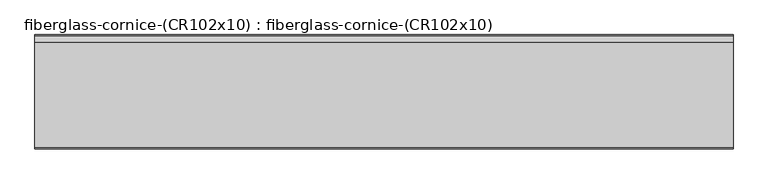
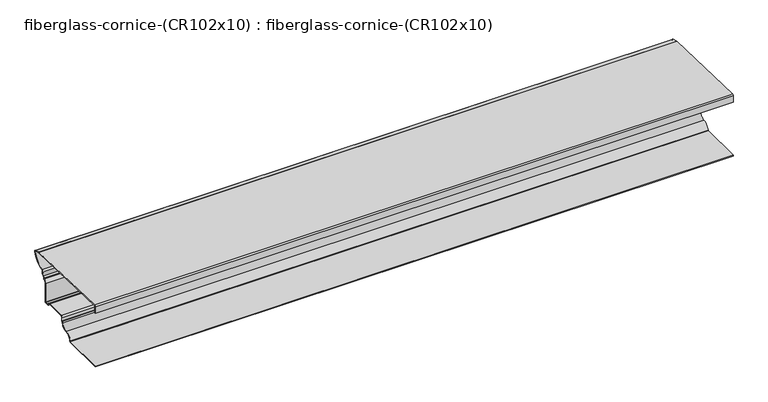
"""IFC4 building model written with IfcOpenShell, lengths in millimetres: furniture geometry, fiberglass-cornice-(CR102x10) : fiberglass-cornice-(CR102x10)."""

from ifc_helpers import new_model, si_unit, frame, origin, place, context, project, spatial, polyline, circle_curve, source, transform, mapped, element, save
from ifc_brep_helpers import plane_surface, cylinder_surface, revolved_surface, advanced_brep


def fiberglass_cornice_cr102x10_fiberglass_cornice_cr102x10_c971396c(model_context):
    return source(origin(), model_context, "Body", "AdvancedBrep", [
        advanced_brep(
        [(2012.9498044, 107.9495329, 330.1999904), (2012.9498044, 101.6002384, 323.8166176), (2012.9498044, 101.6002384, 279.4641155), (2012.9498044, 105.0925938, 279.4641155), (2012.9498044, 105.0925938, 323.8703182), (2012.9498044, 107.9694373, 326.7211389), (2012.9498044, 718.1684462, 309.9910516), (2012.9498044, 755.4396445, 299.3036814), (2012.9498044, 757.4680388, 296.0160672), (2012.9498044, 682.2227911, 220.9704583), (2012.9498044, 675.6432969, 206.1810322), (2012.9498044, 668.2732578, 187.1836465), (2012.9498044, 661.1866578, 177.7348465), (2012.9498044, 661.1866442, 172.2831722), (2012.9498044, 659.1292578, 169.5487893), (2012.9498044, 644.8580863, 150.5205608), (2012.9498044, 644.8580709, 26.2326075), (2012.9498044, 642.0005863, 23.3844893), (2012.9498044, 621.1362568, 23.3844864), (2012.9498044, 618.3931006, 25.4418893), (2012.9498044, 599.3582193, 39.7130597), (2012.9498044, 475.0816126, 39.7130597), (2012.9498044, 465.2438006, 29.8705608), (2012.9498044, 465.2437655, 9.2170513), (2012.9498044, 463.3102308, 6.5272232), (2012.9498044, 456.7397442, -1.4616302), (2012.9498044, 419.7505863, -33.7655107), (2012.9498044, 375.8400065, -72.1141027), (2012.9498044, 373.0085156, -74.5869392), (2012.9498044, 101.6, -74.586939), (2012.9498044, 101.6, -78.0794391), (2012.9498044, 373.0085156, -78.0794391), (2012.9498044, 379.3007175, -72.5842469), (2012.9498044, 419.7505863, -37.2580107), (2012.9498044, 460.2004552, -1.9317744), (2012.9498044, 464.4394788, 3.2223246), (2012.9498044, 468.7363006, 9.2312312), (2012.9498044, 468.7363592, 29.8432847), (2012.9498044, 475.0863006, 36.2205608), (2012.9498044, 599.3648258, 36.2205628), (2012.9498044, 615.0403006, 24.4639893), (2012.9498044, 621.1363006, 19.8919893), (2012.9498044, 642.0005863, 19.8919895), (2012.9498044, 648.3505455, 26.2647651), (2012.9498044, 648.3505455, 150.5205679), (2012.9498044, 660.1071578, 166.1959893), (2012.9498044, 664.6791187, 172.2697206), (2012.9498044, 664.6791187, 177.7348417), (2012.9498044, 669.2511578, 183.8308465), (2012.9498044, 678.6264726, 207.9971322), (2012.9498044, 682.8713075, 217.5386974), (2012.9498044, 760.8980647, 295.3584359), (2012.9498044, 756.4174474, 302.6565623), (2012.9498044, 719.2856756, 313.3039373), (2012.9498044, 717.7086783, 313.547566), (-2012.9498044, 107.9495329, 330.1999904), (-2012.9498044, 717.7086559, 313.5475713), (-2012.9498044, 719.2856225, 313.3039444), (-2012.9498044, 756.4174474, 302.6565623), (-2012.9498044, 760.8980647, 295.3584359), (-2012.9498044, 682.8713075, 217.5386974), (-2012.9498044, 678.6264726, 207.9971322), (-2012.9498044, 669.2511578, 183.8308465), (-2012.9498044, 664.6791578, 177.7348465), (-2012.9498044, 664.6791187, 172.2697206), (-2012.9498044, 660.1071578, 166.1959893), (-2012.9498044, 648.3505863, 150.5205608), (-2012.9498044, 648.3505455, 26.2647651), (-2012.9498044, 642.0005863, 19.8919893), (-2012.9498044, 621.1363006, 19.8919895), (-2012.9498044, 615.0403006, 24.4639893), (-2012.9498044, 599.3648721, 36.2205608), (-2012.9498044, 475.0862804, 36.2205628), (-2012.9498044, 468.7363592, 29.8432847), (-2012.9498044, 468.7363592, 9.2312294), (-2012.9498044, 464.4394788, 3.2223246), (-2012.9498044, 460.2004552, -1.9317744), (-2012.9498044, 419.7505863, -37.2580107), (-2012.9498044, 379.3007175, -72.5842469), (-2012.9498044, 373.0085156, -78.0794392), (-2012.9498044, 101.6, -78.0794391), (-2012.9498044, 101.6, -74.586939), (-2012.9498044, 373.0085156, -74.586939), (-2012.9498044, 375.8400065, -72.1141027), (-2012.9498044, 419.7505863, -33.7655107), (-2012.9498044, 456.7397442, -1.4616302), (-2012.9498044, 463.3102308, 6.5272232), (-2012.9498044, 465.2437655, 9.2170513), (-2012.9498044, 465.2437655, 29.8705596), (-2012.9498044, 475.0816126, 39.7130597), (-2012.9498044, 599.3582193, 39.7130597), (-2012.9498044, 618.3931006, 25.4418893), (-2012.9498044, 621.1363006, 23.3844893), (-2012.9498044, 642.0006243, 23.3844864), (-2012.9498044, 644.8580709, 26.2326075), (-2012.9498044, 644.8580709, 150.5205679), (-2012.9498044, 659.1292578, 169.5487893), (-2012.9498044, 661.1866442, 172.2831722), (-2012.9498044, 661.1866442, 177.7348417), (-2012.9498044, 668.2732578, 187.1836465), (-2012.9498044, 675.6432969, 206.1810322), (-2012.9498044, 682.2227911, 220.9704583), (-2012.9498044, 757.4680388, 296.0160672), (-2012.9498044, 755.4396445, 299.3036814), (-2012.9498044, 718.1684462, 309.9910516), (-2012.9498044, 107.9694373, 326.7211389), (-2012.9498044, 105.0925938, 323.8703182), (-2012.9498044, 105.0925938, 279.4641155), (-2012.9498044, 101.6002384, 279.4641155), (-2012.9498044, 101.6002384, 323.8166176)],
        [
            (0, 1, circle_curve(frame((2012.9498044, 107.9501507, 323.8499905), z_axis=(1.0, 0.0, 0.0), x_axis=(0.0, 1.0, 0.0)), 6.35)),
            (1, 2),
            (2, 3),
            (3, 4),
            (4, 5, circle_curve(frame((2012.9498044, 107.9500861, 323.8637045), z_axis=(-1.0, 0.0, 0.0), x_axis=(0.0, 1.0, 0.0)), 2.8575)),
            (5, 6),
            (6, 7),
            (7, 8, circle_curve(frame((2012.9498044, 754.6616541, 296.5541292), z_axis=(-1.0, 0.0, 0.0), x_axis=(0.0, 1.0, 0.0)), 2.8575)),
            (8, 9, circle_curve(frame((2012.9498044, 664.6791578, 313.8062751), z_axis=(-1.0, 0.0, 0.0), x_axis=(0.0, 1.0, 0.0)), 94.4789286)),
            (9, 10, circle_curve(frame((2012.9498044, 684.0504283, 211.2991322), z_axis=(1.0, 0.0, 0.0), x_axis=(0.0, 1.0, 0.0)), 9.8425)),
            (10, 11, circle_curve(frame((2012.9498044, 664.6791578, 199.5062751), z_axis=(-1.0, 0.0, 0.0), x_axis=(0.0, 1.0, 0.0)), 12.8360714)),
            (11, 12, circle_curve(frame((2012.9498044, 671.0291578, 177.7348465), z_axis=(1.0, 0.0, 0.0), x_axis=(0.0, 1.0, 0.0)), 9.8425)),
            (12, 13),
            (13, 14, circle_curve(frame((2012.9498044, 658.3291578, 172.2919893), z_axis=(-1.0, 0.0, 0.0), x_axis=(0.0, 1.0, 0.0)), 2.8575)),
            (14, 15, circle_curve(frame((2012.9498044, 664.6791578, 150.5205608), z_axis=(1.0, 0.0, 0.0), x_axis=(0.0, 1.0, 0.0)), 19.8210714)),
            (15, 16),
            (16, 17, circle_curve(frame((2012.9498044, 642.0005863, 26.2419893), z_axis=(-1.0, 0.0, 0.0), x_axis=(0.0, 1.0, 0.0)), 2.8575)),
            (17, 18),
            (18, 19, circle_curve(frame((2012.9498044, 621.1363006, 26.2419893), z_axis=(-1.0, 0.0, 0.0), x_axis=(0.0, 1.0, 0.0)), 2.8575)),
            (19, 20, circle_curve(frame((2012.9498044, 599.3648721, 19.8919893), z_axis=(1.0, 0.0, 0.0), x_axis=(0.0, 1.0, 0.0)), 19.8210714)),
            (20, 21),
            (21, 22, circle_curve(frame((2012.9498044, 475.0863006, 29.8705608), z_axis=(1.0, 0.0, 0.0), x_axis=(0.0, 1.0, 0.0)), 9.8425)),
            (22, 23),
            (23, 24, circle_curve(frame((2012.9498044, 462.3863006, 9.2312312), z_axis=(-1.0, 0.0, 0.0), x_axis=(0.0, 1.0, 0.0)), 2.8575)),
            (24, 25, circle_curve(frame((2012.9498044, 466.4926571, -2.7865821), z_axis=(1.0, 0.0, 0.0), x_axis=(0.0, 1.0, 0.0)), 9.8425)),
            (25, 26, circle_curve(frame((2012.9498044, 419.7505863, 3.5634179), z_axis=(-1.0, 0.0, 0.0), x_axis=(0.0, 1.0, 0.0)), 37.3289286)),
            (26, 27, circle_curve(frame((2012.9498044, 419.7505863, -78.0794392), z_axis=(1.0, 0.0, 0.0), x_axis=(0.0, 1.0, 0.0)), 44.3139286)),
            (27, 28, circle_curve(frame((2012.9498044, 373.0085156, -71.7294392), z_axis=(-1.0, 0.0, 0.0), x_axis=(0.0, 1.0, 0.0)), 2.8575)),
            (28, 29),
            (29, 30),
            (30, 31),
            (31, 32, circle_curve(frame((2012.9498044, 373.0085156, -71.7294392), z_axis=(1.0, 0.0, 0.0), x_axis=(0.0, 1.0, 0.0)), 6.35)),
            (32, 33, circle_curve(frame((2012.9498044, 419.7505863, -78.0794392), z_axis=(-1.0, 0.0, 0.0), x_axis=(0.0, 1.0, 0.0)), 40.8214286)),
            (33, 34, circle_curve(frame((2012.9498044, 419.7505863, 3.5634179), z_axis=(1.0, 0.0, 0.0), x_axis=(0.0, 1.0, 0.0)), 40.8214286)),
            (34, 35, circle_curve(frame((2012.9498044, 466.4926571, -2.7865821), z_axis=(-1.0, 0.0, 0.0), x_axis=(0.0, 1.0, 0.0)), 6.35)),
            (35, 36, circle_curve(frame((2012.9498044, 462.3863006, 9.2312312), z_axis=(1.0, 0.0, 0.0), x_axis=(0.0, 1.0, 0.0)), 6.35)),
            (36, 37),
            (37, 38, circle_curve(frame((2012.9498044, 475.0863006, 29.8705608), z_axis=(-1.0, 0.0, 0.0), x_axis=(0.0, 1.0, 0.0)), 6.35)),
            (38, 39),
            (39, 40, circle_curve(frame((2012.9498044, 599.3648721, 19.8919893), z_axis=(-1.0, 0.0, 0.0), x_axis=(0.0, 1.0, 0.0)), 16.3285714)),
            (40, 41, circle_curve(frame((2012.9498044, 621.1363006, 26.2419893), z_axis=(1.0, 0.0, 0.0), x_axis=(0.0, 1.0, 0.0)), 6.35)),
            (41, 42),
            (42, 43, circle_curve(frame((2012.9498044, 642.0005863, 26.2419893), z_axis=(1.0, 0.0, 0.0), x_axis=(0.0, 1.0, 0.0)), 6.35)),
            (43, 44),
            (44, 45, circle_curve(frame((2012.9498044, 664.6791578, 150.5205608), z_axis=(-1.0, 0.0, 0.0), x_axis=(0.0, 1.0, 0.0)), 16.3285714)),
            (45, 46, circle_curve(frame((2012.9498044, 658.3291578, 172.2919893), z_axis=(1.0, 0.0, 0.0), x_axis=(0.0, 1.0, 0.0)), 6.35)),
            (46, 47),
            (47, 48, circle_curve(frame((2012.9498044, 671.0291578, 177.7348465), z_axis=(-1.0, 0.0, 0.0), x_axis=(0.0, 1.0, 0.0)), 6.35)),
            (48, 49, circle_curve(frame((2012.9498044, 664.6791578, 199.5062751), z_axis=(1.0, 0.0, 0.0), x_axis=(0.0, 1.0, 0.0)), 16.3285714)),
            (49, 50, circle_curve(frame((2012.9498044, 684.0504283, 211.2991322), z_axis=(-1.0, 0.0, 0.0), x_axis=(0.0, 1.0, 0.0)), 6.35)),
            (50, 51, circle_curve(frame((2012.9498044, 664.6791578, 313.8062751), z_axis=(1.0, 0.0, 0.0), x_axis=(0.0, 1.0, 0.0)), 97.9714286)),
            (51, 52, circle_curve(frame((2012.9498044, 754.6616541, 296.5541292), z_axis=(1.0, 0.0, 0.0), x_axis=(0.0, 1.0, 0.0)), 6.35)),
            (52, 53),
            (53, 54, circle_curve(frame((2012.9498044, 717.5353253, 307.1999327), z_axis=(1.0, 0.0, 0.0), x_axis=(0.0, 1.0, 0.0)), 6.35)),
            (54, 0),
            (55, 56),
            (56, 57, circle_curve(frame((-2012.9498044, 717.5353253, 307.1999327), z_axis=(-1.0, 0.0, 0.0), x_axis=(0.0, 1.0, 0.0)), 6.35)),
            (57, 58),
            (58, 59, circle_curve(frame((-2012.9498044, 754.6616541, 296.5541292), z_axis=(-1.0, 0.0, 0.0), x_axis=(0.0, 1.0, 0.0)), 6.35)),
            (59, 60, circle_curve(frame((-2012.9498044, 664.6791578, 313.8062751), z_axis=(-1.0, 0.0, 0.0), x_axis=(0.0, 1.0, 0.0)), 97.9714286)),
            (60, 61, circle_curve(frame((-2012.9498044, 684.0504283, 211.2991322), z_axis=(1.0, 0.0, 0.0), x_axis=(0.0, 1.0, 0.0)), 6.35)),
            (61, 62, circle_curve(frame((-2012.9498044, 664.6791578, 199.5062751), z_axis=(-1.0, 0.0, 0.0), x_axis=(0.0, 1.0, 0.0)), 16.3285714)),
            (62, 63, circle_curve(frame((-2012.9498044, 671.0291578, 177.7348465), z_axis=(1.0, 0.0, 0.0), x_axis=(0.0, 1.0, 0.0)), 6.35)),
            (63, 64),
            (64, 65, circle_curve(frame((-2012.9498044, 658.3291578, 172.2919893), z_axis=(-1.0, 0.0, 0.0), x_axis=(0.0, 1.0, 0.0)), 6.35)),
            (65, 66, circle_curve(frame((-2012.9498044, 664.6791578, 150.5205608), z_axis=(1.0, 0.0, 0.0), x_axis=(0.0, 1.0, 0.0)), 16.3285714)),
            (66, 67),
            (67, 68, circle_curve(frame((-2012.9498044, 642.0005863, 26.2419893), z_axis=(-1.0, 0.0, 0.0), x_axis=(0.0, 1.0, 0.0)), 6.35)),
            (68, 69),
            (69, 70, circle_curve(frame((-2012.9498044, 621.1363006, 26.2419893), z_axis=(-1.0, 0.0, 0.0), x_axis=(0.0, 1.0, 0.0)), 6.35)),
            (70, 71, circle_curve(frame((-2012.9498044, 599.3648721, 19.8919893), z_axis=(1.0, 0.0, 0.0), x_axis=(0.0, 1.0, 0.0)), 16.3285714)),
            (71, 72),
            (72, 73, circle_curve(frame((-2012.9498044, 475.0863006, 29.8705608), z_axis=(1.0, 0.0, 0.0), x_axis=(0.0, 1.0, 0.0)), 6.35)),
            (73, 74),
            (74, 75, circle_curve(frame((-2012.9498044, 462.3863006, 9.2312312), z_axis=(-1.0, 0.0, 0.0), x_axis=(0.0, 1.0, 0.0)), 6.35)),
            (75, 76, circle_curve(frame((-2012.9498044, 466.4926571, -2.7865821), z_axis=(1.0, 0.0, 0.0), x_axis=(0.0, 1.0, 0.0)), 6.35)),
            (76, 77, circle_curve(frame((-2012.9498044, 419.7505863, 3.5634179), z_axis=(-1.0, 0.0, 0.0), x_axis=(0.0, 1.0, 0.0)), 40.8214286)),
            (77, 78, circle_curve(frame((-2012.9498044, 419.7505863, -78.0794392), z_axis=(1.0, 0.0, 0.0), x_axis=(0.0, 1.0, 0.0)), 40.8214286)),
            (78, 79, circle_curve(frame((-2012.9498044, 373.0085156, -71.7294392), z_axis=(-1.0, 0.0, 0.0), x_axis=(0.0, 1.0, 0.0)), 6.35)),
            (79, 80),
            (80, 81),
            (81, 82),
            (82, 83, circle_curve(frame((-2012.9498044, 373.0085156, -71.7294392), z_axis=(1.0, 0.0, 0.0), x_axis=(0.0, 1.0, 0.0)), 2.8575)),
            (83, 84, circle_curve(frame((-2012.9498044, 419.7505863, -78.0794392), z_axis=(-1.0, 0.0, 0.0), x_axis=(0.0, 1.0, 0.0)), 44.3139286)),
            (84, 85, circle_curve(frame((-2012.9498044, 419.7505863, 3.5634179), z_axis=(1.0, 0.0, 0.0), x_axis=(0.0, 1.0, 0.0)), 37.3289286)),
            (85, 86, circle_curve(frame((-2012.9498044, 466.4926571, -2.7865821), z_axis=(-1.0, 0.0, 0.0), x_axis=(0.0, 1.0, 0.0)), 9.8425)),
            (86, 87, circle_curve(frame((-2012.9498044, 462.3863006, 9.2312312), z_axis=(1.0, 0.0, 0.0), x_axis=(0.0, 1.0, 0.0)), 2.8575)),
            (87, 88),
            (88, 89, circle_curve(frame((-2012.9498044, 475.0863006, 29.8705608), z_axis=(-1.0, 0.0, 0.0), x_axis=(0.0, 1.0, 0.0)), 9.8425)),
            (89, 90),
            (90, 91, circle_curve(frame((-2012.9498044, 599.3648721, 19.8919893), z_axis=(-1.0, 0.0, 0.0), x_axis=(0.0, 1.0, 0.0)), 19.8210714)),
            (91, 92, circle_curve(frame((-2012.9498044, 621.1363006, 26.2419893), z_axis=(1.0, 0.0, 0.0), x_axis=(0.0, 1.0, 0.0)), 2.8575)),
            (92, 93),
            (93, 94, circle_curve(frame((-2012.9498044, 642.0005863, 26.2419893), z_axis=(1.0, 0.0, 0.0), x_axis=(0.0, 1.0, 0.0)), 2.8575)),
            (94, 95),
            (95, 96, circle_curve(frame((-2012.9498044, 664.6791578, 150.5205608), z_axis=(-1.0, 0.0, 0.0), x_axis=(0.0, 1.0, 0.0)), 19.8210714)),
            (96, 97, circle_curve(frame((-2012.9498044, 658.3291578, 172.2919893), z_axis=(1.0, 0.0, 0.0), x_axis=(0.0, 1.0, 0.0)), 2.8575)),
            (97, 98),
            (98, 99, circle_curve(frame((-2012.9498044, 671.0291578, 177.7348465), z_axis=(-1.0, 0.0, 0.0), x_axis=(0.0, 1.0, 0.0)), 9.8425)),
            (99, 100, circle_curve(frame((-2012.9498044, 664.6791578, 199.5062751), z_axis=(1.0, 0.0, 0.0), x_axis=(0.0, 1.0, 0.0)), 12.8360714)),
            (100, 101, circle_curve(frame((-2012.9498044, 684.0504283, 211.2991322), z_axis=(-1.0, 0.0, 0.0), x_axis=(0.0, 1.0, 0.0)), 9.8425)),
            (101, 102, circle_curve(frame((-2012.9498044, 664.6791578, 313.8062751), z_axis=(1.0, 0.0, 0.0), x_axis=(0.0, 1.0, 0.0)), 94.4789286)),
            (102, 103, circle_curve(frame((-2012.9498044, 754.6616541, 296.5541292), z_axis=(1.0, 0.0, 0.0), x_axis=(0.0, 1.0, 0.0)), 2.8575)),
            (103, 104),
            (104, 105),
            (105, 106, circle_curve(frame((-2012.9498044, 107.9500861, 323.8637045), z_axis=(1.0, 0.0, 0.0), x_axis=(0.0, 1.0, 0.0)), 2.8575)),
            (106, 107),
            (107, 108),
            (108, 109),
            (109, 55, circle_curve(frame((-2012.9498044, 107.9501507, 323.8499905), z_axis=(-1.0, 0.0, 0.0), x_axis=(0.0, 1.0, 0.0)), 6.35)),
            (0, 55),
            (109, 1),
            (108, 2),
            (107, 3),
            (106, 4),
            (105, 5),
            (104, 6),
            (103, 7),
            (102, 8),
            (101, 9),
            (100, 10),
            (99, 11),
            (98, 12),
            (97, 13),
            (96, 14),
            (95, 15),
            (94, 16),
            (93, 17),
            (92, 18),
            (91, 19),
            (90, 20),
            (89, 21),
            (88, 22),
            (87, 23),
            (86, 24),
            (85, 25),
            (84, 26),
            (83, 27),
            (82, 28),
            (81, 29),
            (80, 30),
            (79, 31),
            (78, 32),
            (77, 33),
            (76, 34),
            (75, 35),
            (74, 36),
            (73, 37),
            (72, 38),
            (71, 39),
            (70, 40),
            (69, 41),
            (68, 42),
            (67, 43),
            (66, 44),
            (65, 45),
            (64, 46),
            (63, 47),
            (62, 48),
            (61, 49),
            (60, 50),
            (59, 51),
            (58, 52),
            (57, 53),
            (56, 54),
        ],
        [
            plane_surface(frame((2012.9498044, 101.6, 330.1999904), z_axis=(1.0, 0.0, 0.0), x_axis=(0.0, 0.0, 1.0))),
            plane_surface(frame((-2012.9498044, 101.6, 330.1999904), z_axis=(-1.0, 0.0, 0.0), x_axis=(0.0, 0.0, 1.0))),
            cylinder_surface(frame((2012.9498044, 107.9501507, 323.8499905), z_axis=(1.0, 0.0, 0.0), x_axis=(0.0, 1.0, 0.0)), 6.35),
            plane_surface(frame((2012.9498044, 101.6002384, 323.8166176), z_axis=(0.0, -1.0, 0.0), x_axis=(-1.0, 0.0, 0.0))),
            plane_surface(frame((2012.9498044, 101.6002384, 279.4641155), z_axis=(0.0, 0.0, -1.0), x_axis=(-1.0, 0.0, 0.0))),
            plane_surface(frame((2012.9498044, 105.0925938, 279.4641155), z_axis=(0.0, 1.0, 0.0), x_axis=(-1.0, 0.0, 0.0))),
            revolved_surface(polyline([(-2012.9498044, 110.8075861, 323.8637045), (2012.9498044, 110.8075861, 323.8637045)]), (2012.9498044, 107.9500861, 323.8637045), (-1.0, 0.0, 0.0)),
            plane_surface(frame((2012.9498044, 107.9694373, 326.7211389), z_axis=(0.0, -0.027407128762182806, -0.9996243540915823), x_axis=(-1.0, 0.0, 0.0))),
            plane_surface(frame((2012.9498044, 718.1684462, 309.9910516), z_axis=(0.0, -0.27563797648732297, -0.9612615179637506), x_axis=(-1.0, 0.0, 0.0))),
            revolved_surface(polyline([(-2012.9498044, 757.5191540999999, 296.5541292), (2012.9498044, 757.5191540999999, 296.5541292)]), (2012.9498044, 754.6616541, 296.5541292), (-1.0, 0.0, 0.0)),
            revolved_surface(polyline([(-2012.9498044, 759.1580864, 313.8062751), (2012.9498044, 759.1580864, 313.8062751)]), (2012.9498044, 664.6791578, 313.8062751), (-1.0, 0.0, 0.0)),
            cylinder_surface(frame((2012.9498044, 684.0504283, 211.2991322), z_axis=(1.0, 0.0, 0.0), x_axis=(0.0, 1.0, 0.0)), 9.8425),
            revolved_surface(polyline([(-2012.9498044, 677.5152292, 199.5062751), (2012.9498044, 677.5152292, 199.5062751)]), (2012.9498044, 664.6791578, 199.5062751), (-1.0, 0.0, 0.0)),
            cylinder_surface(frame((2012.9498044, 671.0291578, 177.7348465), z_axis=(1.0, 0.0, 0.0), x_axis=(0.0, 1.0, 0.0)), 9.8425),
            plane_surface(frame((2012.9498044, 661.1866442, 177.7348417), z_axis=(0.0, -1.0, 0.0), x_axis=(-1.0, 0.0, 0.0))),
            revolved_surface(polyline([(-2012.9498044, 661.1866577999999, 172.2919893), (2012.9498044, 661.1866577999999, 172.2919893)]), (2012.9498044, 658.3291578, 172.2919893), (-1.0, 0.0, 0.0)),
            cylinder_surface(frame((2012.9498044, 664.6791578, 150.5205608), z_axis=(1.0, 0.0, 0.0), x_axis=(0.0, 1.0, 0.0)), 19.8210714),
            plane_surface(frame((2012.9498044, 644.8580709, 150.5205679), z_axis=(0.0, -1.0, 0.0), x_axis=(-1.0, 0.0, 0.0))),
            revolved_surface(polyline([(-2012.9498044, 644.8580863, 26.2419893), (2012.9498044, 644.8580863, 26.2419893)]), (2012.9498044, 642.0005863, 26.2419893), (-1.0, 0.0, 0.0)),
            plane_surface(frame((2012.9498044, 642.0006243, 23.3844864), z_axis=(0.0, 0.0, 1.0), x_axis=(-1.0, 0.0, 0.0))),
            revolved_surface(polyline([(-2012.9498044, 623.9938006, 26.2419893), (2012.9498044, 623.9938006, 26.2419893)]), (2012.9498044, 621.1363006, 26.2419893), (-1.0, 0.0, 0.0)),
            cylinder_surface(frame((2012.9498044, 599.3648721, 19.8919893), z_axis=(1.0, 0.0, 0.0), x_axis=(0.0, 1.0, 0.0)), 19.8210714),
            plane_surface(frame((2012.9498044, 599.3582193, 39.7130597), z_axis=(0.0, 0.0, 1.0), x_axis=(-1.0, 0.0, 0.0))),
            cylinder_surface(frame((2012.9498044, 475.0863006, 29.8705608), z_axis=(1.0, 0.0, 0.0), x_axis=(0.0, 1.0, 0.0)), 9.8425),
            plane_surface(frame((2012.9498044, 465.2437655, 29.8705596), z_axis=(0.0, -1.0, 0.0), x_axis=(-1.0, 0.0, 0.0))),
            revolved_surface(polyline([(-2012.9498044, 465.24380060000004, 9.2312312), (2012.9498044, 465.24380060000004, 9.2312312)]), (2012.9498044, 462.3863006, 9.2312312), (-1.0, 0.0, 0.0)),
            cylinder_surface(frame((2012.9498044, 466.4926571, -2.7865821), z_axis=(1.0, 0.0, 0.0), x_axis=(0.0, 1.0, 0.0)), 9.8425),
            revolved_surface(polyline([(-2012.9498044, 457.0795149, 3.5634179), (2012.9498044, 457.0795149, 3.5634179)]), (2012.9498044, 419.7505863, 3.5634179), (-1.0, 0.0, 0.0)),
            cylinder_surface(frame((2012.9498044, 419.7505863, -78.0794392), z_axis=(1.0, 0.0, 0.0), x_axis=(0.0, 1.0, 0.0)), 44.3139286),
            revolved_surface(polyline([(-2012.9498044, 375.8660156, -71.7294392), (2012.9498044, 375.8660156, -71.7294392)]), (2012.9498044, 373.0085156, -71.7294392), (-1.0, 0.0, 0.0)),
            plane_surface(frame((2012.9498044, 373.0085156, -74.586939), z_axis=(0.0, 0.0, 1.0), x_axis=(-1.0, 0.0, 0.0))),
            plane_surface(frame((2012.9498044, 101.6, -74.586939), z_axis=(0.0, -1.0, 0.0), x_axis=(-1.0, 0.0, 0.0))),
            plane_surface(frame((2012.9498044, 101.6, -78.0794391), z_axis=(0.0, 0.0, -1.0), x_axis=(-1.0, 0.0, 0.0))),
            cylinder_surface(frame((2012.9498044, 373.0085156, -71.7294392), z_axis=(1.0, 0.0, 0.0), x_axis=(0.0, 1.0, 0.0)), 6.35),
            revolved_surface(polyline([(-2012.9498044, 460.5720149, -78.0794392), (2012.9498044, 460.5720149, -78.0794392)]), (2012.9498044, 419.7505863, -78.0794392), (-1.0, 0.0, 0.0)),
            cylinder_surface(frame((2012.9498044, 419.7505863, 3.5634179), z_axis=(1.0, 0.0, 0.0), x_axis=(0.0, 1.0, 0.0)), 40.8214286),
            revolved_surface(polyline([(-2012.9498044, 472.8426571, -2.7865821), (2012.9498044, 472.8426571, -2.7865821)]), (2012.9498044, 466.4926571, -2.7865821), (-1.0, 0.0, 0.0)),
            cylinder_surface(frame((2012.9498044, 462.3863006, 9.2312312), z_axis=(1.0, 0.0, 0.0), x_axis=(0.0, 1.0, 0.0)), 6.35),
            plane_surface(frame((2012.9498044, 468.7363592, 9.2312294), z_axis=(0.0, 1.0, 0.0), x_axis=(-1.0, 0.0, 0.0))),
            revolved_surface(polyline([(-2012.9498044, 481.43630060000004, 29.8705608), (2012.9498044, 481.43630060000004, 29.8705608)]), (2012.9498044, 475.0863006, 29.8705608), (-1.0, 0.0, 0.0)),
            plane_surface(frame((2012.9498044, 475.0862804, 36.2205628), z_axis=(0.0, 0.0, -1.0), x_axis=(-1.0, 0.0, 0.0))),
            revolved_surface(polyline([(-2012.9498044, 615.6934435, 19.8919893), (2012.9498044, 615.6934435, 19.8919893)]), (2012.9498044, 599.3648721, 19.8919893), (-1.0, 0.0, 0.0)),
            cylinder_surface(frame((2012.9498044, 621.1363006, 26.2419893), z_axis=(1.0, 0.0, 0.0), x_axis=(0.0, 1.0, 0.0)), 6.35),
            plane_surface(frame((2012.9498044, 621.1363006, 19.8919895), z_axis=(0.0, 0.0, -1.0), x_axis=(-1.0, 0.0, 0.0))),
            cylinder_surface(frame((2012.9498044, 642.0005863, 26.2419893), z_axis=(1.0, 0.0, 0.0), x_axis=(0.0, 1.0, 0.0)), 6.35),
            plane_surface(frame((2012.9498044, 648.3505455, 26.2647651), z_axis=(0.0, 1.0, 0.0), x_axis=(-1.0, 0.0, 0.0))),
            revolved_surface(polyline([(-2012.9498044, 681.0077292, 150.5205608), (2012.9498044, 681.0077292, 150.5205608)]), (2012.9498044, 664.6791578, 150.5205608), (-1.0, 0.0, 0.0)),
            cylinder_surface(frame((2012.9498044, 658.3291578, 172.2919893), z_axis=(1.0, 0.0, 0.0), x_axis=(0.0, 1.0, 0.0)), 6.35),
            plane_surface(frame((2012.9498044, 664.6791187, 172.2697206), z_axis=(0.0, 1.0, 0.0), x_axis=(-1.0, 0.0, 0.0))),
            revolved_surface(polyline([(-2012.9498044, 677.3791578, 177.7348465), (2012.9498044, 677.3791578, 177.7348465)]), (2012.9498044, 671.0291578, 177.7348465), (-1.0, 0.0, 0.0)),
            cylinder_surface(frame((2012.9498044, 664.6791578, 199.5062751), z_axis=(1.0, 0.0, 0.0), x_axis=(0.0, 1.0, 0.0)), 16.3285714),
            revolved_surface(polyline([(-2012.9498044, 690.4004283, 211.2991322), (2012.9498044, 690.4004283, 211.2991322)]), (2012.9498044, 684.0504283, 211.2991322), (-1.0, 0.0, 0.0)),
            cylinder_surface(frame((2012.9498044, 664.6791578, 313.8062751), z_axis=(1.0, 0.0, 0.0), x_axis=(0.0, 1.0, 0.0)), 97.9714286),
            cylinder_surface(frame((2012.9498044, 754.6616541, 296.5541292), z_axis=(1.0, 0.0, 0.0), x_axis=(0.0, 1.0, 0.0)), 6.35),
            plane_surface(frame((2012.9498044, 756.4174474, 302.6565623), z_axis=(0.0, 0.2756376140679433, 0.9612616218860148), x_axis=(-1.0, 0.0, 0.0))),
            cylinder_surface(frame((2012.9498044, 717.5353253, 307.1999327), z_axis=(1.0, 0.0, 0.0), x_axis=(0.0, 1.0, 0.0)), 6.35),
            plane_surface(frame((2012.9498044, 717.7086559, 313.5475713), z_axis=(0.0, 0.027299653345547643, 0.9996272950091013), x_axis=(-1.0, 0.0, 0.0))),
        ],
        [
            (0, [[1, 2, 3, 4, 5, 6, 7, 8, 9, 10, 11, 12, 13, 14, 15, 16, 17, 18, 19, 20, 21, 22, 23, 24, 25, 26, 27, 28, 29, 30, 31, 32, 33, 34, 35, 36, 37, 38, 39, 40, 41, 42, 43, 44, 45, 46, 47, 48, 49, 50, 51, 52, 53, 54, 55]]),
            (1, [[56, 57, 58, 59, 60, 61, 62, 63, 64, 65, 66, 67, 68, 69, 70, 71, 72, 73, 74, 75, 76, 77, 78, 79, 80, 81, 82, 83, 84, 85, 86, 87, 88, 89, 90, 91, 92, 93, 94, 95, 96, 97, 98, 99, 100, 101, 102, 103, 104, 105, 106, 107, 108, 109, 110]]),
            (2, [[-1, 111, -110, 112]]),
            (3, [[-2, -112, -109, 113]]),
            (4, [[-3, -113, -108, 114]]),
            (5, [[-4, -114, -107, 115]]),
            (6, [[-5, -115, -106, 116]]),
            (7, [[-6, -116, -105, 117]]),
            (8, [[-7, -117, -104, 118]]),
            (9, [[-8, -118, -103, 119]]),
            (10, [[-9, -119, -102, 120]]),
            (11, [[-10, -120, -101, 121]]),
            (12, [[-11, -121, -100, 122]]),
            (13, [[-12, -122, -99, 123]]),
            (14, [[-13, -123, -98, 124]]),
            (15, [[-14, -124, -97, 125]]),
            (16, [[-15, -125, -96, 126]]),
            (17, [[-16, -126, -95, 127]]),
            (18, [[-17, -127, -94, 128]]),
            (19, [[-18, -128, -93, 129]]),
            (20, [[-19, -129, -92, 130]]),
            (21, [[-20, -130, -91, 131]]),
            (22, [[-21, -131, -90, 132]]),
            (23, [[-22, -132, -89, 133]]),
            (24, [[-23, -133, -88, 134]]),
            (25, [[-24, -134, -87, 135]]),
            (26, [[-25, -135, -86, 136]]),
            (27, [[-26, -136, -85, 137]]),
            (28, [[-27, -137, -84, 138]]),
            (29, [[-28, -138, -83, 139]]),
            (30, [[-29, -139, -82, 140]]),
            (31, [[-30, -140, -81, 141]]),
            (32, [[-31, -141, -80, 142]]),
            (33, [[-32, -142, -79, 143]]),
            (34, [[-33, -143, -78, 144]]),
            (35, [[-34, -144, -77, 145]]),
            (36, [[-35, -145, -76, 146]]),
            (37, [[-36, -146, -75, 147]]),
            (38, [[-37, -147, -74, 148]]),
            (39, [[-38, -148, -73, 149]]),
            (40, [[-39, -149, -72, 150]]),
            (41, [[-40, -150, -71, 151]]),
            (42, [[-41, -151, -70, 152]]),
            (43, [[-42, -152, -69, 153]]),
            (44, [[-43, -153, -68, 154]]),
            (45, [[-44, -154, -67, 155]]),
            (46, [[-45, -155, -66, 156]]),
            (47, [[-46, -156, -65, 157]]),
            (48, [[-47, -157, -64, 158]]),
            (49, [[-48, -158, -63, 159]]),
            (50, [[-49, -159, -62, 160]]),
            (51, [[-50, -160, -61, 161]]),
            (52, [[-51, -161, -60, 162]]),
            (53, [[-52, -162, -59, 163]]),
            (54, [[-53, -163, -58, 164]]),
            (55, [[-54, -164, -57, 165]]),
            (56, [[-55, -165, -56, -111]]),
        ],
    ),
    ])


if __name__ == "__main__":
    model = new_model("IFC4")
    model_context = context("Model", 3, world=origin())
    ifc_project = project(units=[si_unit("LENGTHUNIT", "METRE", prefix="MILLI")], contexts=[model_context])
    site = spatial("IfcSite", under=ifc_project)
    building = spatial("IfcBuilding", under=site)
    placement = place(None, origin())
    fiberglass_cornice_cr102x10_fiberglass_cornice_cr102x10_shape = fiberglass_cornice_cr102x10_fiberglass_cornice_cr102x10_c971396c(model_context)
    element("IfcFurniture", 1, ObjectType="fiberglass-cornice-(CR102x10) : fiberglass-cornice-(CR102x10)", at=placement, inside=building, context=model_context, shape_type="MappedRepresentation", body=[
        mapped(fiberglass_cornice_cr102x10_fiberglass_cornice_cr102x10_shape, transform((0.0, 0.0, 0.0), x_axis=(1.0, 0.0, 0.0), y_axis=(0.0, 1.0, 0.0), z_axis=(0.0, 0.0, 1.0))),
    ])
    save(model, "model.ifc")
